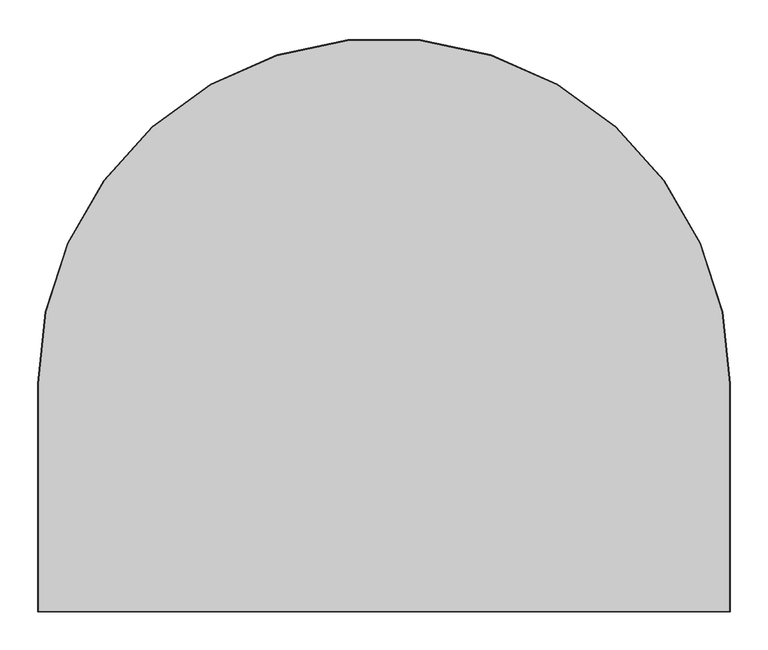
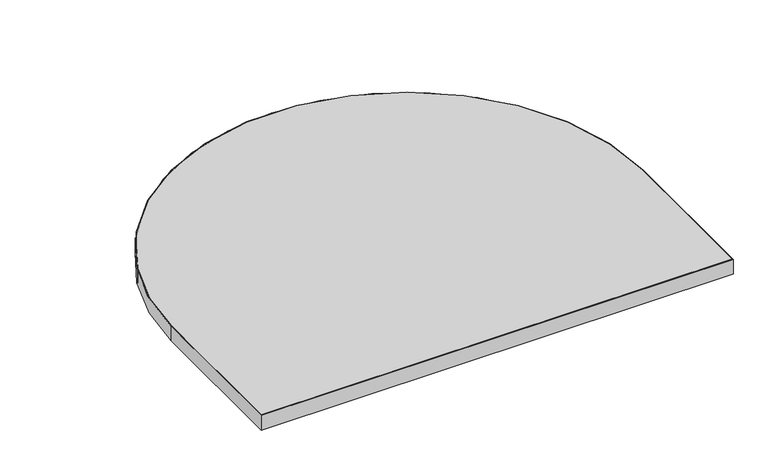
"""IFC4 building model written with IfcOpenShell, lengths in millimetres: furniture geometry."""

from ifc_helpers import new_model, si_unit, point, frame, frame_2d, origin, place, context, project, spatial, polyline, circle_curve, trimmed, segment, composite_curve, outline, extrude, source, transform, mapped, element, save


def furniture_914eefd9(model_context):
    return source(origin(), model_context, "Body", "SweptSolid", [
        extrude(outline(composite_curve([segment(trimmed(circle_curve(frame_2d((457.2, 304.8)), 456.184), [point((1.016, 304.8))], [point((913.384, 304.8))], False, "CARTESIAN"), True, "CONTINUOUS"), segment(polyline([(913.384, 304.8), (913.384, 4.1910001), (1.016, 4.1910001), (1.016, 304.8)]), True, "CONTINUOUS")], self_intersect=False)), frame((0.0, 0.0, 697.2297529), z_axis=(0.0, 0.0, 1.0), x_axis=(1.0, 0.0, 0.0)), (0.0, 0.0, 1.0), 29.972),
        extrude(outline(composite_curve([segment(trimmed(circle_curve(frame_2d((457.2, 304.8)), 457.2), [point((0.0, 304.8))], [point((914.4, 304.8))], False, "CARTESIAN"), True, "CONTINUOUS"), segment(polyline([(914.4, 304.8), (914.4, 3.1750001), (0.0, 3.1750001), (0.0, 304.8)]), True, "CONTINUOUS")], self_intersect=False), holes=[composite_curve([segment(polyline([(1.016, 4.1910001), (913.384, 4.1910001), (913.384, 304.8)]), True, "CONTINUOUS"), segment(trimmed(circle_curve(frame_2d((457.2, 304.8)), 456.184), [point((913.384, 304.8))], [point((1.016, 304.8))], True, "CARTESIAN"), True, "CONTINUOUS"), segment(polyline([(1.016, 304.8), (1.016, 4.1910001)]), True, "CONTINUOUS")], self_intersect=False)]), frame((0.0, 0.0, 697.2297529), z_axis=(0.0, 0.0, 1.0), x_axis=(1.0, 0.0, 0.0)), (0.0, 0.0, 1.0), 29.972),
    ])


if __name__ == "__main__":
    model = new_model("IFC4")
    model_context = context("Model", 3, world=origin())
    ifc_project = project(units=[si_unit("LENGTHUNIT", "METRE", prefix="MILLI")], contexts=[model_context])
    site = spatial("IfcSite", under=ifc_project)
    building = spatial("IfcBuilding", under=site)
    placement = place(None, origin())
    furniture_shape = furniture_914eefd9(model_context)
    element("IfcFurniture", 1, at=placement, inside=building, context=model_context, shape_type="MappedRepresentation", body=[
        mapped(furniture_shape, transform((0.0, 0.0, 0.0), x_axis=(1.0, 0.0, 0.0), y_axis=(0.0, 1.0, 0.0), z_axis=(0.0, 0.0, 1.0))),
    ])
    save(model, "model.ifc")
